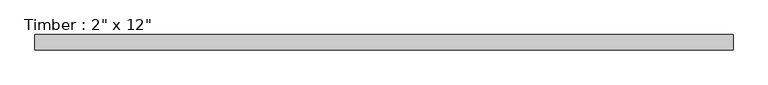
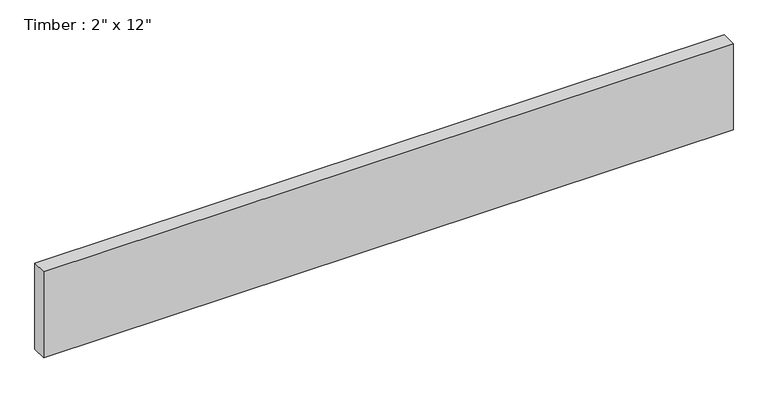
"""IFC4 building model written with IfcOpenShell, lengths in millimetres: beam geometry."""

from ifc_helpers import new_model, si_unit, frame, origin, place, context, project, spatial, polyline, outline, extrude, source, transform, mapped, element, save


def beam_386b7ec1(model_context):
    return source(origin(), model_context, "Body", "SweptSolid", [
        extrude(outline(polyline([(1156.8533809, 25.4), (1156.8533809, -25.4), (-1156.8533809, -25.4), (-1156.8533809, 25.4), (1156.8533809, 25.4)])), frame((0.0, 0.0, -152.4), z_axis=(0.0, 0.0, 1.0), x_axis=(1.0, 0.0, 0.0)), (0.0, 0.0, 1.0), 304.8),
    ])


if __name__ == "__main__":
    model = new_model("IFC4")
    model_context = context("Model", 3, world=origin())
    ifc_project = project(units=[si_unit("LENGTHUNIT", "METRE", prefix="MILLI")], contexts=[model_context])
    site = spatial("IfcSite", under=ifc_project)
    building = spatial("IfcBuilding", under=site)
    placement = place(None, origin())
    beam_shape = beam_386b7ec1(model_context)
    element("IfcBeam", 1, ObjectType="Timber : 2\" x 12\"", at=placement, inside=building, context=model_context, shape_type="MappedRepresentation", body=[
        mapped(beam_shape, transform((0.0, 0.0, 0.0), x_axis=(1.0, 0.0, 0.0), y_axis=(0.0, 1.0, 0.0), z_axis=(0.0, 0.0, 1.0))),
    ])
    save(model, "model.ifc")
